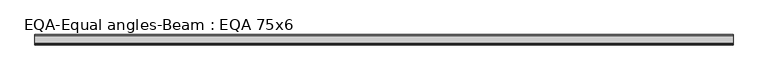
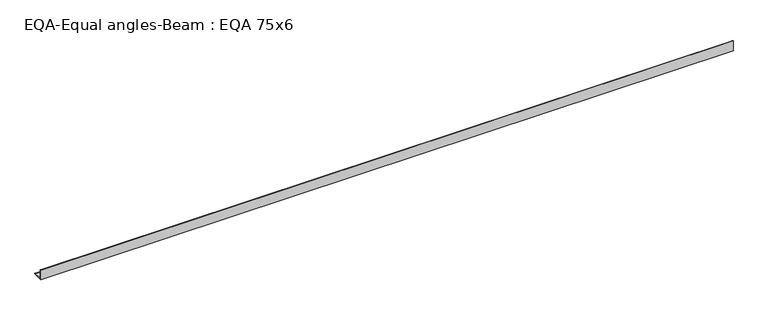
"""IFC4 building model written with IfcOpenShell, lengths in millimetres: beam geometry, EQA-Equal angles-Beam : EQA 75x6."""

from ifc_helpers import new_model, si_unit, point, frame, frame_2d, origin, place, context, project, spatial, polyline, circle_curve, trimmed, segment, composite_curve, outline, extrude, source, transform, mapped, element, save


def eqa_equal_angles_beam_eqa_75x6_5abe0993(model_context):
    return source(origin(), model_context, "Body", "SweptSolid", [
        extrude(outline(composite_curve([segment(polyline([(-20.5, -20.5), (-20.5, 54.5), (-19.0, 54.5)]), True, "CONTINUOUS"), segment(trimmed(circle_curve(frame_2d((-19.0, 50.0)), 4.5), [point((-19.0, 54.5))], [point((-14.5, 50.0))], False, "CARTESIAN"), True, "CONTINUOUS"), segment(polyline([(-14.5, 50.0), (-14.5, -5.5)]), True, "CONTINUOUS"), segment(trimmed(circle_curve(frame_2d((-5.5, -5.5)), 9.0), [point((-14.5, -5.5))], [point((-5.5, -14.5))], True, "CARTESIAN"), True, "CONTINUOUS"), segment(polyline([(-5.5, -14.5), (50.0, -14.5)]), True, "CONTINUOUS"), segment(trimmed(circle_curve(frame_2d((50.0, -19.0)), 4.5), [point((50.0, -14.5))], [point((54.5, -19.0))], False, "CARTESIAN"), True, "CONTINUOUS"), segment(polyline([(54.5, -19.0), (54.5, -20.5), (-20.5, -20.5)]), True, "CONTINUOUS")], self_intersect=False)), frame((-2511.7119782, 0.0, 0.0), z_axis=(1.0, 0.0, 0.0), x_axis=(0.0, 1.0, 0.0)), (0.0, 0.0, 1.0), 5001.465471),
    ])


if __name__ == "__main__":
    model = new_model("IFC4")
    model_context = context("Model", 3, world=origin())
    ifc_project = project(units=[si_unit("LENGTHUNIT", "METRE", prefix="MILLI")], contexts=[model_context])
    site = spatial("IfcSite", under=ifc_project)
    building = spatial("IfcBuilding", under=site)
    placement = place(None, origin())
    eqa_equal_angles_beam_eqa_75x6_shape = eqa_equal_angles_beam_eqa_75x6_5abe0993(model_context)
    element("IfcBeam", 1, ObjectType="EQA-Equal angles-Beam : EQA 75x6", at=placement, inside=building, context=model_context, shape_type="MappedRepresentation", body=[
        mapped(eqa_equal_angles_beam_eqa_75x6_shape, transform((0.0, 0.0, 0.0), x_axis=(1.0, 0.0, 0.0), y_axis=(0.0, 1.0, 0.0), z_axis=(0.0, 0.0, 1.0))),
    ])
    save(model, "model.ifc")
